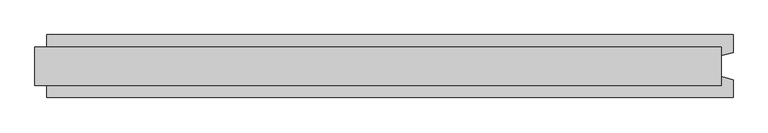
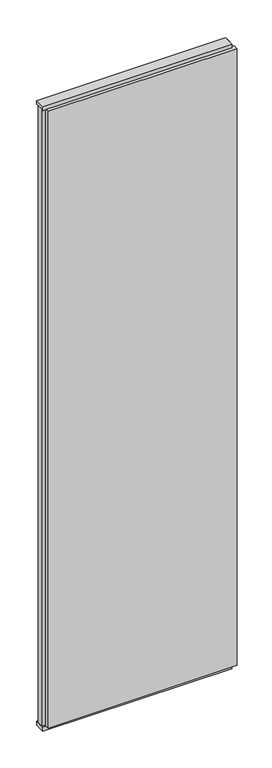
"""IFC4 building model written with IfcOpenShell, lengths in millimetres: plate geometry."""

from ifc_helpers import new_model, si_unit, frame, origin, origin_with_axes, place, context, project, spatial, polyline, outline, extrude, source, transform, mapped, element, save


def plate_a9526713(model_context):
    return source(origin(), model_context, "Body", "SweptSolid", [
        extrude(outline(polyline([(592.9166667, 52.5), (592.9166667, 22.9993165), (572.9166667, 17.6401049), (572.9166667, -17.6401049), (592.9166667, -22.9993165), (592.9166667, -52.5), (-552.9166667, -52.5), (-552.9166667, -22.9993165), (-572.9166667, -17.6401049), (-572.9166667, 17.6401049), (-552.9166667, 22.9993165), (-552.9166667, 52.5), (592.9166667, 52.5)])), frame((0.0, 0.0, 25.0), z_axis=(0.0, 0.0, 1.0), x_axis=(1.0, 0.0, 0.0)), (0.0, 0.0, 1.0), 3950.0),
        extrude(outline(polyline([(572.9166667, 32.0), (572.9166667, -32.0), (-572.9166667, -32.0), (-572.9166667, 32.0), (572.9166667, 32.0)])), origin_with_axes(), (0.0, 0.0, 1.0), 25.0),
        extrude(outline(polyline([(572.9166667, 32.0), (572.9166667, -32.0), (-572.9166667, -32.0), (-572.9166667, 32.0), (572.9166667, 32.0)])), frame((0.0, 0.0, 3975.0), z_axis=(0.0, 0.0, 1.0), x_axis=(1.0, 0.0, 0.0)), (0.0, 0.0, 1.0), 25.0),
    ])


if __name__ == "__main__":
    model = new_model("IFC4")
    model_context = context("Model", 3, world=origin())
    ifc_project = project(units=[si_unit("LENGTHUNIT", "METRE", prefix="MILLI")], contexts=[model_context])
    site = spatial("IfcSite", under=ifc_project)
    building = spatial("IfcBuilding", under=site)
    placement = place(None, origin())
    plate_shape = plate_a9526713(model_context)
    element("IfcPlate", 1, at=placement, inside=building, context=model_context, shape_type="MappedRepresentation", body=[
        mapped(plate_shape, transform((0.0, 0.0, 0.0), x_axis=(1.0, 0.0, 0.0), y_axis=(0.0, 1.0, 0.0), z_axis=(0.0, 0.0, 1.0))),
    ])
    save(model, "model.ifc")
